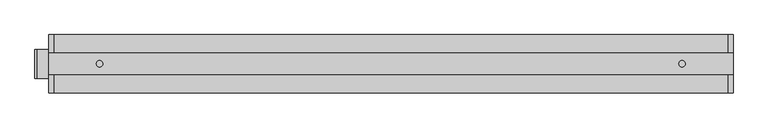
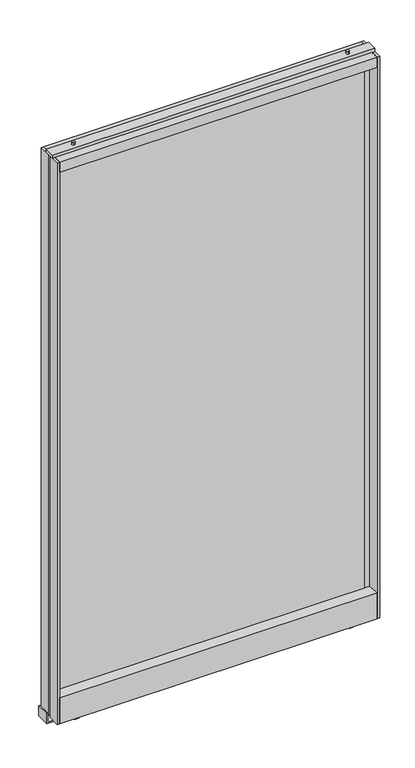
"""IFC4 building model written with IfcOpenShell, lengths in millimetres: furniture geometry."""

from ifc_helpers import new_model, si_unit, point, frame, frame_2d, origin, origin_with_axes, place, context, project, spatial, polyline, circle_curve, trimmed, segment, composite_curve, outline, extrude, source, transform, mapped, element, save


def furniture_2bac4c7f(model_context):
    return source(origin(), model_context, "Body", "SweptSolid", [
        extrude(outline(composite_curve([segment(trimmed(circle_curve(frame_2d((139.700003, 0.0)), 23.7499993), [point((115.9500038, 0.0))], [point((163.4500023, 0.0))], False, "CARTESIAN"), True, "CONTINUOUS"), segment(trimmed(circle_curve(frame_2d((139.700003, 0.0)), 23.7499993), [point((163.4500023, 0.0))], [point((115.9500038, 0.0))], False, "CARTESIAN"), True, "CONTINUOUS")], self_intersect=False)), origin_with_axes(), (0.0, 0.0, 1.0), 25.146001),
        extrude(outline(composite_curve([segment(trimmed(circle_curve(frame_2d((1155.6999879, 0.0)), 23.7499993), [point((1131.9499886, 0.0))], [point((1179.4499872, 0.0))], False, "CARTESIAN"), True, "CONTINUOUS"), segment(trimmed(circle_curve(frame_2d((1155.6999879, 0.0)), 23.7499993), [point((1179.4499872, 0.0))], [point((1131.9499886, 0.0))], False, "CARTESIAN"), True, "CONTINUOUS")], self_intersect=False)), origin_with_axes(), (0.0, 0.0, 1.0), 25.146001),
        extrude(outline(composite_curve([segment(trimmed(circle_curve(frame_2d((139.700003, 0.0)), 5.5562498), [point((139.700003, 5.5562498))], [point((139.700003, -5.5562498))], False, "CARTESIAN"), True, "CONTINUOUS"), segment(trimmed(circle_curve(frame_2d((139.700003, 0.0)), 5.5562498), [point((139.700003, -5.5562498))], [point((139.700003, 5.5562498))], False, "CARTESIAN"), True, "CONTINUOUS")], self_intersect=False)), frame((0.0, 0.0, 2234.9460097), z_axis=(0.0, 0.0, 1.0), x_axis=(1.0, 0.0, 0.0)), (0.0, 0.0, 1.0), 10.1599903),
        extrude(outline(composite_curve([segment(trimmed(circle_curve(frame_2d((1155.6999879, 0.0)), 5.5562498), [point((1155.6999879, 5.5562498))], [point((1155.6999879, -5.5562498))], False, "CARTESIAN"), True, "CONTINUOUS"), segment(trimmed(circle_curve(frame_2d((1155.6999879, 0.0)), 5.5562498), [point((1155.6999879, -5.5562498))], [point((1155.6999879, 5.5562498))], False, "CARTESIAN"), True, "CONTINUOUS")], self_intersect=False)), frame((0.0, 0.0, 2234.9460097), z_axis=(0.0, 0.0, 1.0), x_axis=(1.0, 0.0, 0.0)), (0.0, 0.0, 1.0), 10.1599903),
        extrude(outline(polyline([(1212.8846151, 7.9374998), (1212.8846151, -7.9374998), (82.5153849, -7.9374998), (82.5153849, 7.9374998), (1212.8846151, 7.9374998)])), frame((0.0, 0.0, 126.7459972), z_axis=(0.0, 0.0, 1.0), x_axis=(1.0, 0.0, 0.0)), (0.0, 0.0, 1.0), 2067.8139602),
        extrude(outline(polyline([(60.3250015, -50.8), (60.3250015, 50.8), (1235.0749758, 50.8), (1235.0749758, -50.8), (60.3250015, -50.8)])), frame((0.0, 0.0, 25.146001), z_axis=(0.0, 0.0, 1.0), x_axis=(1.0, 0.0, 0.0)), (0.0, 0.0, 1.0), 101.5999962),
        extrude(outline(polyline([(60.3250015, -50.8), (60.3250015, 50.8), (1235.0749758, 50.8), (1235.0749758, -50.8), (60.3250015, -50.8)])), frame((0.0, 0.0, 2184.1460581), z_axis=(0.0, 0.0, 1.0), x_axis=(1.0, 0.0, 0.0)), (0.0, 0.0, 1.0), 38.1),
        extrude(outline(polyline([(50.8, -19.05), (50.8, 19.05), (1244.6, 19.05), (1244.6, -19.05), (50.8, -19.05)])), frame((0.0, 0.0, 2222.2460581), z_axis=(0.0, 0.0, 1.0), x_axis=(1.0, 0.0, 0.0)), (0.0, 0.0, 1.0), 12.6999516),
        extrude(outline(polyline([(60.3250015, 50.8), (64.0749816, 7.9374998), (82.5153849, 7.9374998), (82.5153849, -7.9374998), (64.0749816, -7.9374998), (60.3250014, -50.8), (50.8, -50.8), (50.8, -7.112), (57.15, -7.112), (57.15, 7.112), (50.8, 7.112), (50.8, 50.8), (60.3250015, 50.8)])), frame((0.0, 0.0, 25.146001), z_axis=(0.0, 0.0, 1.0), x_axis=(1.0, 0.0, 0.0)), (0.0, 0.0, 1.0), 2197.1000571),
        extrude(outline(polyline([(1244.6, -7.112), (1244.6, -50.8), (1235.0749758, -50.8), (1231.3249866, -7.9374998), (1212.8846151, -7.9374998), (1212.8846151, 7.9374998), (1231.3249866, 7.9374998), (1235.0749758, 50.8), (1244.6, 50.8), (1244.6, 7.112), (1238.25, 7.112), (1238.25, -7.112), (1244.6, -7.112)])), frame((0.0, 0.0, 25.146001), z_axis=(0.0, 0.0, 1.0), x_axis=(1.0, 0.0, 0.0)), (0.0, 0.0, 1.0), 2197.1000571),
        extrude(outline(polyline([(61.7855001, 30.0355009), (61.7855001, 26.9874992), (22.0979994, 26.9874992), (22.0979994, 177.7999939), (25.146001, 177.7999939), (25.146001, 30.0355009), (61.7855001, 30.0355009)])), frame((0.0, -25.4, 0.0), z_axis=(0.0, 1.0, 0.0), x_axis=(0.0, 0.0, 1.0)), (0.0, 0.0, 1.0), 50.8),
    ])


if __name__ == "__main__":
    model = new_model("IFC4")
    model_context = context("Model", 3, world=origin())
    ifc_project = project(units=[si_unit("LENGTHUNIT", "METRE", prefix="MILLI")], contexts=[model_context])
    site = spatial("IfcSite", under=ifc_project)
    building = spatial("IfcBuilding", under=site)
    placement = place(None, origin())
    furniture_shape = furniture_2bac4c7f(model_context)
    element("IfcFurniture", 1, at=placement, inside=building, context=model_context, shape_type="MappedRepresentation", body=[
        mapped(furniture_shape, transform((0.0, 0.0, 0.0), x_axis=(1.0, 0.0, 0.0), y_axis=(0.0, 1.0, 0.0), z_axis=(0.0, 0.0, 1.0))),
    ])
    save(model, "model.ifc")
